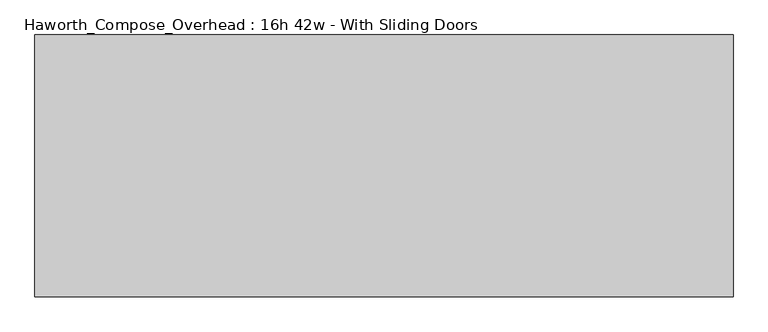
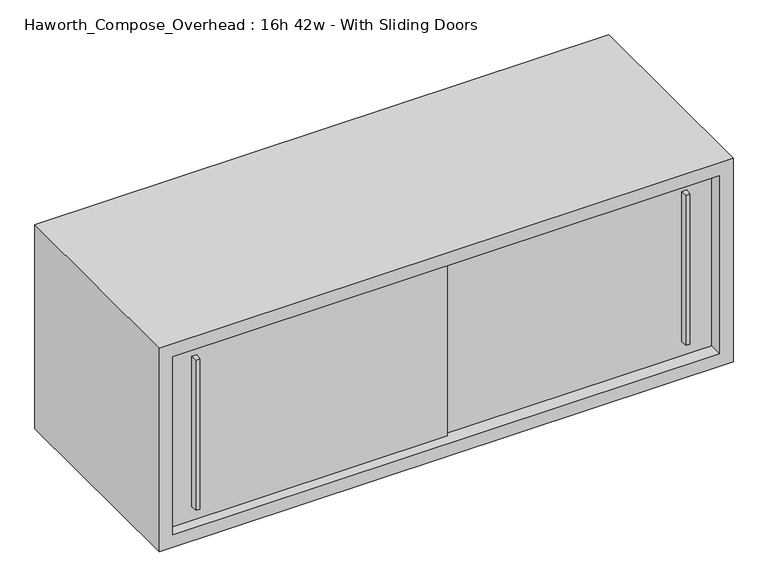
"""IFC4 building model written with IfcOpenShell, lengths in millimetres: furniture geometry, Haworth_Compose_Overhead : 16h 42w - With Sliding Doors."""

from ifc_helpers import new_model, si_unit, frame, origin, place, context, project, spatial, polyline, outline, extrude, source, transform, mapped, element, save


def haworth_compose_overhead_16h_42w_with_sliding_doors_3f7a1335(model_context):
    return source(origin(), model_context, "Body", "SweptSolid", [
        extrude(outline(polyline([(625.4750004, -387.3499879), (619.1249996, -387.3499879), (617.5375011, -374.65), (627.0624989, -374.65), (625.4750004, -387.3499879)])), frame((0.0, 0.0, 1322.3875), z_axis=(0.0, 0.0, 1.0), x_axis=(1.0, 0.0, 0.0)), (0.0, 0.0, 1.0), 295.275),
        extrude(outline(polyline([(-288.9249996, -393.6999879), (-295.2750004, -393.6999879), (-296.8624989, -381.0), (-287.3375011, -381.0), (-288.9249996, -393.6999879)])), frame((0.0, 0.0, 1322.3875), z_axis=(0.0, 0.0, 1.0), x_axis=(1.0, 0.0, 0.0)), (0.0, 0.0, 1.0), 295.275),
        extrude(outline(polyline([(-342.9, -374.65), (177.8, -374.65), (177.8, -381.0), (-342.9, -381.0), (-342.9, -374.65)])), frame((0.0, 0.0, 1295.4), z_axis=(0.0, 0.0, 1.0), x_axis=(1.0, 0.0, 0.0)), (0.0, 0.0, 1.0), 349.25),
        extrude(outline(polyline([(152.4, -368.3), (673.1, -368.3), (673.1, -374.65), (152.4, -374.65), (152.4, -368.3)])), frame((0.0, 0.0, 1295.4), z_axis=(0.0, 0.0, 1.0), x_axis=(1.0, 0.0, 0.0)), (0.0, 0.0, 1.0), 349.25),
        extrude(outline(polyline([(673.1, -6.35), (-342.9, -6.35), (-342.9, 0.0), (673.1, 0.0), (673.1, -6.35)])), frame((0.0, 0.0, 1295.4), z_axis=(0.0, 0.0, 1.0), x_axis=(1.0, 0.0, 0.0)), (0.0, 0.0, 1.0), 349.25),
        extrude(outline(polyline([(1270.0, 698.5), (1670.05, 698.5), (1670.05, -368.3), (1270.0, -368.3), (1270.0, 698.5)]), holes=[polyline([(1644.65, 673.1), (1295.4, 673.1), (1295.4, -342.9), (1644.65, -342.9), (1644.65, 673.1)])]), frame((0.0, -400.05, 0.0), z_axis=(0.0, 1.0, 0.0), x_axis=(0.0, 0.0, 1.0)), (0.0, 0.0, 1.0), 400.05),
    ])


if __name__ == "__main__":
    model = new_model("IFC4")
    model_context = context("Model", 3, world=origin())
    ifc_project = project(units=[si_unit("LENGTHUNIT", "METRE", prefix="MILLI")], contexts=[model_context])
    site = spatial("IfcSite", under=ifc_project)
    building = spatial("IfcBuilding", under=site)
    placement = place(None, origin())
    haworth_compose_overhead_16h_42w_with_sliding_doors_shape = haworth_compose_overhead_16h_42w_with_sliding_doors_3f7a1335(model_context)
    element("IfcFurniture", 1, ObjectType="Haworth_Compose_Overhead : 16h 42w - With Sliding Doors", at=placement, inside=building, context=model_context, shape_type="MappedRepresentation", body=[
        mapped(haworth_compose_overhead_16h_42w_with_sliding_doors_shape, transform((0.0, 0.0, 0.0), x_axis=(1.0, 0.0, 0.0), y_axis=(0.0, 1.0, 0.0), z_axis=(0.0, 0.0, 1.0))),
    ])
    save(model, "model.ifc")
